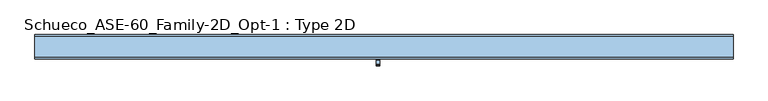
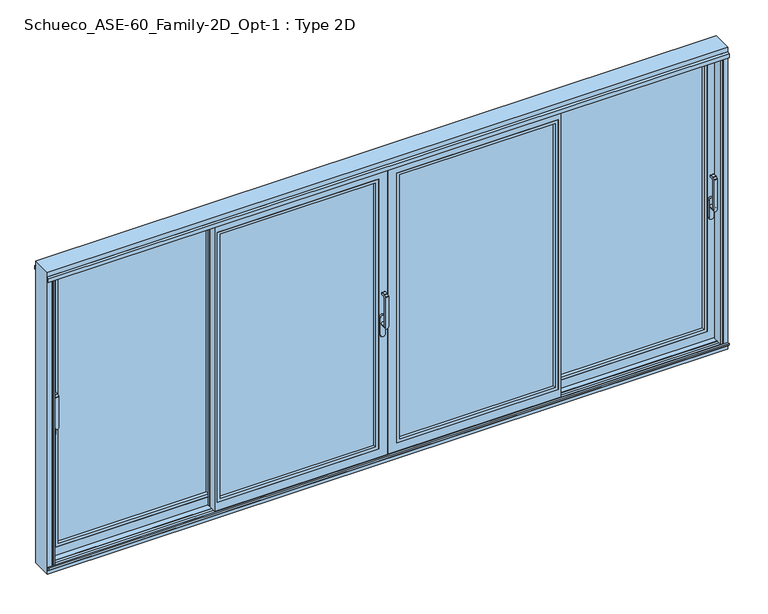
"""IFC4 building model written with IfcOpenShell, lengths in millimetres: window geometry, Schueco_ASE-60_Family-2D_Opt-1 : Type 2D."""

from ifc_helpers import new_model, si_unit, point, frame, frame_2d, origin, origin_with_axes, place, context, project, spatial, polyline, circle_curve, trimmed, segment, composite_curve, outline, extrude, faceted_brep, source, transform, mapped, element, save
from ifc_brep_helpers import plane_surface, cylinder_surface, revolved_surface, advanced_brep


def schueco_ase_60_family_2d_opt_1_type_2d_655c88e8(model_context):
    return source(origin(), model_context, "Body", "SolidModel", [
        advanced_brep(
        [(-30.25, -121.9999695, 999.0), (-30.25, -121.9999695, 1224.2360009), (-54.25, -121.9999695, 1224.2360009), (-54.25, -121.9999695, 999.0), (-30.25, -73.9999695, 999.005052), (-54.25, -73.9999695, 999.005052), (-54.25, -109.9999695, 999.005052), (-30.25, -109.9999695, 999.005052), (-54.25, -121.414183, 1225.6502145), (-54.25, -110.6501229, 1236.4142746), (-54.25, -109.2359094, 1237.000061), (-54.25, -81.9999695, 1237.000061), (-54.25, -79.9999695, 1235.000061), (-54.25, -79.9999695, 1224.000061), (-54.25, -81.9999695, 1222.000061), (-54.25, -102.6493095, 1222.000061), (-54.25, -109.9999695, 1214.6494011), (-30.25, -109.9999695, 1214.6494011), (-30.25, -102.6493095, 1222.000061), (-30.25, -81.9999695, 1222.000061), (-30.25, -79.9999695, 1224.000061), (-30.25, -79.9999695, 1235.000061), (-30.25, -81.9999695, 1237.000061), (-30.25, -109.2359094, 1237.000061), (-30.25, -110.6501229, 1236.4142746), (-30.25, -121.414183, 1225.6502145)],
        [
            (0, 1),
            (1, 2),
            (2, 3),
            (3, 0, circle_curve(frame((-42.25, -121.9999695, 999.005052), z_axis=(0.0, -1.0, 0.0), x_axis=(-1.0000000000000009, 0.0, 0.0)), 12.0)),
            (4, 5, circle_curve(frame((-42.25, -73.9999695, 999.005052), z_axis=(0.0, 1.0, 0.0), x_axis=(-1.0000000000000009, 0.0, 0.0)), 12.0)),
            (5, 4, circle_curve(frame((-42.25, -73.9999695, 999.005052), z_axis=(0.0, 1.0, 0.0), x_axis=(-1.0000000000000009, 0.0, 0.0)), 12.0)),
            (3, 6),
            (6, 5),
            (4, 7),
            (7, 0),
            (6, 7, circle_curve(frame((-42.25, -109.9999695, 999.005052), z_axis=(0.0, 1.0, 0.0), x_axis=(-1.0000000000000009, 0.0, 0.0)), 12.0)),
            (2, 8, circle_curve(frame((-54.25, -119.9999695, 1224.2360009), z_axis=(-1.0, 0.0, 0.0), x_axis=(0.0, 0.0, -1.0)), 2.0)),
            (8, 9),
            (9, 10, circle_curve(frame((-54.25, -109.2359094, 1235.000061), z_axis=(-1.0, 0.0, 0.0), x_axis=(0.0, 0.0, -1.0)), 2.0)),
            (10, 11),
            (11, 12, circle_curve(frame((-54.25, -81.9999695, 1235.000061), z_axis=(-1.0, 0.0, 0.0), x_axis=(0.0, 0.0, -1.0)), 2.0)),
            (12, 13),
            (13, 14, circle_curve(frame((-54.25, -81.9999695, 1224.000061), z_axis=(-1.0, 0.0, 0.0), x_axis=(0.0, 0.0, -1.0)), 2.0)),
            (14, 15),
            (15, 16, circle_curve(frame((-54.25, -102.6493095, 1214.6494011), z_axis=(1.0, 0.0, 0.0), x_axis=(0.0, 0.0, -1.0)), 7.35066)),
            (16, 6),
            (7, 17),
            (17, 18, circle_curve(frame((-30.25, -102.6493095, 1214.6494011), z_axis=(-1.0, 0.0, 0.0), x_axis=(0.0, 0.0, -1.0)), 7.35066)),
            (18, 19),
            (19, 20, circle_curve(frame((-30.25, -81.9999695, 1224.000061), z_axis=(1.0, 0.0, 0.0), x_axis=(0.0, 0.0, -1.0)), 2.0)),
            (20, 21),
            (21, 22, circle_curve(frame((-30.25, -81.9999695, 1235.000061), z_axis=(1.0, 0.0, 0.0), x_axis=(0.0, 0.0, -1.0)), 2.0)),
            (22, 23),
            (23, 24, circle_curve(frame((-30.25, -109.2359094, 1235.000061), z_axis=(1.0, 0.0, 0.0), x_axis=(0.0, 0.0, -1.0)), 2.0)),
            (24, 25),
            (25, 1, circle_curve(frame((-30.25, -119.9999695, 1224.2360009), z_axis=(1.0, 0.0, 0.0), x_axis=(0.0, 0.0, -1.0)), 2.0)),
            (16, 17),
            (15, 18),
            (14, 19),
            (13, 20),
            (12, 21),
            (11, 22),
            (10, 23),
            (9, 24),
            (8, 25),
        ],
        [
            plane_surface(frame((-54.25, -121.9999695, 999.005052), z_axis=(0.0, -1.0, 0.0), x_axis=(0.0, 0.0, 1.0))),
            plane_surface(frame((-54.25, -73.9999695, 999.005052), z_axis=(0.0, 1.0, 0.0), x_axis=(0.0, 0.0, -1.0))),
            cylinder_surface(frame((-42.25, -73.9999695, 999.005052), z_axis=(0.0, -1.0000000000000009, 0.0), x_axis=(-1.0000000000000009, 0.0, 0.0)), 12.0),
            plane_surface(frame((-54.25, -121.9999695, 1004.7503433), z_axis=(-1.0, 0.0, 0.0), x_axis=(0.0, 0.0, -1.0))),
            plane_surface(frame((-30.25, -121.9999695, 1004.7503433), z_axis=(1.0, 0.0, 0.0), x_axis=(0.0, 0.0, 1.0))),
            plane_surface(frame((-54.25, -109.9999695, 999.0), z_axis=(0.0, 1.0, 0.0), x_axis=(1.0, 0.0, 0.0))),
            revolved_surface(polyline([(-30.25, -102.6493095, 1207.2987411), (-54.25000000000004, -102.6493095, 1207.2987411)]), (-30.25, -102.6493095, 1214.6494011), (1.0000000000000009, 0.0, 0.0)),
            plane_surface(frame((-54.25, -102.6493095, 1222.000061), z_axis=(0.0, 0.0, -1.0), x_axis=(1.0, 0.0, 0.0))),
            cylinder_surface(frame((-30.25, -81.9999695, 1224.000061), z_axis=(-1.0000000000000009, 0.0, 0.0), x_axis=(0.0, 0.0, -1.0)), 2.0),
            plane_surface(frame((-54.25, -79.9999695, 1224.000061), z_axis=(0.0, 1.0, 0.0), x_axis=(1.0, 0.0, 0.0))),
            cylinder_surface(frame((-30.25, -81.9999695, 1235.000061), z_axis=(-1.0000000000000009, 0.0, 0.0), x_axis=(0.0, 0.0, -1.0)), 2.0),
            plane_surface(frame((-54.25, -81.9999695, 1237.000061), z_axis=(0.0, 0.0, 1.0), x_axis=(1.0, 0.0, 0.0))),
            cylinder_surface(frame((-30.25, -109.2359094, 1235.000061), z_axis=(-1.0000000000000009, 0.0, 0.0), x_axis=(0.0, 0.0, -1.0)), 2.0),
            plane_surface(frame((-54.25, -110.6501229, 1236.4142746), z_axis=(0.0, -0.7071067811865419, 0.7071067811865531), x_axis=(1.0, 0.0, 0.0))),
            cylinder_surface(frame((-30.25, -119.9999695, 1224.2360009), z_axis=(-1.0000000000000009, 0.0, 0.0), x_axis=(0.0, 0.0, -1.0)), 2.0),
        ],
        [
            (0, [[1, 2, 3, 4]]),
            (1, [[5, 6]]),
            (2, [[7, 8, -5, 9, 10, -4]]),
            (2, [[-8, 11, -9, -6]]),
            (3, [[12, 13, 14, 15, 16, 17, 18, 19, 20, 21, -7, -3]]),
            (4, [[-1, -10, 22, 23, 24, 25, 26, 27, 28, 29, 30, 31]]),
            (5, [[32, -22, -11, -21]]),
            (6, [[33, -23, -32, -20]]),
            (7, [[34, -24, -33, -19]]),
            (8, [[35, -25, -34, -18]]),
            (9, [[36, -26, -35, -17]]),
            (10, [[37, -27, -36, -16]]),
            (11, [[38, -28, -37, -15]]),
            (12, [[39, -29, -38, -14]]),
            (13, [[40, -30, -39, -13]]),
            (14, [[-2, -31, -40, -12]]),
        ],
    ),
        extrude(outline(composite_curve([segment(polyline([(917.2823932, -25.5), (1044.0099288, -25.5)]), True, "CONTINUOUS"), segment(trimmed(circle_curve(frame_2d((1044.0099288, -42.25)), 16.75), [point((1044.0099288, -25.5))], [point((1044.0099288, -59.0))], False, "CARTESIAN"), True, "CONTINUOUS"), segment(polyline([(1044.0099288, -59.0), (917.2823932, -59.0)]), True, "CONTINUOUS"), segment(trimmed(circle_curve(frame_2d((917.2823932, -42.25)), 16.75), [point((917.2823932, -59.0))], [point((917.2823932, -25.5))], False, "CARTESIAN"), True, "CONTINUOUS")], self_intersect=False)), frame((0.0, -73.9999695, 0.0), z_axis=(0.0, 1.0, 0.0), x_axis=(0.0, 0.0, 1.0)), (0.0, 0.0, 1.0), 13.9999695),
        extrude(outline(polyline([(-1195.0, -2.55e-05), (-1215.0, -2.55e-05), (-1215.0, 15.9999745), (-1195.0, 15.9999745), (-1195.0, -2.55e-05)])), frame((0.0, 0.0, 4.0), z_axis=(0.0, 0.0, 1.0), x_axis=(1.0, 0.0, 0.0)), (0.0, 0.0, 1.0), 2127.0),
        faceted_brep([(-86.0, -2.55e-05, 86.0), (-1175.0, -2.55e-05, 86.0), (-1175.0, -11.0000344, 86.0), (-86.0, -11.0000344, 86.0), (-1197.0, -11.0000344, 64.0), (-1197.0, -60.0, 64.0), (-64.0, -60.0, 64.0), (-64.0, -11.0000344, 64.0), (-3.9982816, -2.55e-05, 4.0), (-3.9982816, -5.4999923, 4.0), (-1175.0, -5.4999923, 4.0), (-1175.0, -11.0000344, 4.0), (-1197.0, -11.0000344, 4.0), (-1197.0, -54.5, 4.0), (-4.0, -54.5, 4.0), (-4.0, -60.0, 4.0), (-1215.0, -60.0, 4.0), (-1215.0, -2.55e-05, 4.0), (-34.0, -54.5, 34.0), (-1197.0, -54.5, 34.0), (-1197.0, -11.0000344, 34.0), (-1175.0, -11.0000344, 34.0), (-1175.0, -5.4999923, 34.0), (-34.0, -5.4999923, 34.0), (-86.0, -2.55e-05, 2049.0), (-86.0, -11.0000344, 2049.0), (-64.0, -11.0000344, 2071.0), (-64.0, -60.0, 2071.0), (-4.0, -60.0, 2131.0), (-4.0, -54.5, 2131.0), (-34.0, -54.5, 2101.0), (-34.0, -5.4999923, 2101.0), (-3.9982816, -5.4999923, 2131.0017184), (-3.9982816, -2.55e-05, 2131.0017184), (-1175.0, -11.0000344, 2049.0), (-1175.0, -2.55e-05, 2049.0), (-1197.0, -60.0, 2071.0), (-1197.0, -11.0000344, 2071.0), (-1215.0, -60.0, 2131.0), (-1197.0, -54.5, 2131.0), (-1197.0, -11.0000344, 2131.0), (-1175.0, -11.0000344, 2131.0), (-1175.0, -5.4999923, 2131.0), (-1215.0, -2.55e-05, 2131.0), (-1175.0, -5.4999923, 2101.0), (-1175.0, -11.0000344, 2101.0), (-1197.0, -11.0000344, 2101.0), (-1197.0, -54.5, 2101.0)], [[[0, 1, 2, 3]], [[4, 5, 6, 7]], [[8, 9, 10, 11, 12, 13, 14, 15, 16, 17]], [[18, 19, 20, 21, 22, 23]], [[24, 0, 3, 25]], [[26, 7, 6, 27]], [[28, 15, 14, 29]], [[30, 18, 23, 31]], [[32, 9, 8, 33]], [[25, 34, 35, 24]], [[27, 36, 37, 26]], [[38, 28, 29, 39, 40, 41, 42, 32, 33, 43]], [[31, 44, 45, 46, 47, 30]], [[43, 17, 16, 38]], [[16, 15, 28, 38], [27, 6, 5, 36]], [[33, 8, 17, 43], [0, 24, 35, 1]], [[35, 34, 2, 1]], [[41, 45, 44, 42]], [[10, 22, 21, 11]], [[26, 37, 4, 7], [3, 2, 34, 25]], [[11, 21, 20, 12]], [[40, 46, 45, 41]], [[37, 36, 5, 4]], [[12, 20, 19, 13]], [[39, 47, 46, 40]], [[14, 13, 19, 18, 30, 47, 39, 29]], [[23, 22, 10, 9, 32, 42, 44, 31]]]),
        extrude(outline(polyline([(64.0, -1197.0), (64.0, -64.0), (2071.0, -64.0), (2071.0, -1197.0), (64.0, -1197.0)]), holes=[polyline([(86.012649, -1174.987351), (2048.987351, -1174.987351), (2048.987351, -86.012649), (86.012649, -86.012649), (86.012649, -1174.987351)])]), frame((0.0, -60.0, 0.0), z_axis=(0.0, 1.0, 0.0), x_axis=(0.0, 0.0, 1.0)), (0.0, 0.0, 1.0), 22.9999656),
        extrude(outline(polyline([(-64.0, -11.0000344), (-64.0, -37.0000344), (-1197.0, -37.0000344), (-1197.0, -11.0000344), (-64.0, -11.0000344)])), frame((0.0, 0.0, 64.0), z_axis=(0.0, 0.0, 1.0), x_axis=(1.0, 0.0, 0.0)), (0.0, 0.0, 1.0), 2007.0),
        extrude(outline(polyline([(1195.0, -2.55e-05), (1195.0, 15.9999745), (1215.0, 15.9999745), (1215.0, -2.55e-05), (1195.0, -2.55e-05)])), frame((0.0, 0.0, 4.0), z_axis=(0.0, 0.0, 1.0), x_axis=(1.0, 0.0, 0.0)), (0.0, 0.0, 1.0), 2127.0),
        faceted_brep([(86.0, -2.55e-05, 86.0), (86.0, -11.0000344, 86.0), (1175.0, -11.0000344, 86.0), (1175.0, -2.55e-05, 86.0), (1197.0, -11.0000344, 64.0), (64.0, -11.0000344, 64.0), (64.0, -60.0, 64.0), (1197.0, -60.0, 64.0), (3.9982816, -2.55e-05, 4.0), (1215.0, -2.55e-05, 4.0), (1215.0, -60.0, 4.0), (4.0, -60.0, 4.0), (4.0, -54.5, 4.0), (1197.0, -54.5, 4.0), (1197.0, -11.0000344, 4.0), (1175.0, -11.0000344, 4.0), (1175.0, -5.4999923, 4.0), (3.9982816, -5.4999923, 4.0), (34.0, -54.5, 34.0), (34.0, -5.4999923, 34.0), (1175.0, -5.4999923, 34.0), (1175.0, -11.0000344, 34.0), (1197.0, -11.0000344, 34.0), (1197.0, -54.5, 34.0), (86.0, -2.55e-05, 2049.0), (86.0, -11.0000344, 2049.0), (64.0, -11.0000344, 2071.0), (64.0, -60.0, 2071.0), (4.0, -60.0, 2131.0), (4.0, -54.5, 2131.0), (34.0, -54.5, 2101.0), (34.0, -5.4999923, 2101.0), (3.9982816, -5.4999923, 2131.0017184), (3.9982816, -2.55e-05, 2131.0017184), (1175.0, -2.55e-05, 2049.0), (1175.0, -11.0000344, 2049.0), (1197.0, -11.0000344, 2071.0), (1197.0, -60.0, 2071.0), (1215.0, -60.0, 2131.0), (1215.0, -2.55e-05, 2131.0), (1175.0, -5.4999923, 2131.0), (1175.0, -11.0000344, 2131.0), (1197.0, -11.0000344, 2131.0), (1197.0, -54.5, 2131.0), (1197.0, -54.5, 2101.0), (1197.0, -11.0000344, 2101.0), (1175.0, -11.0000344, 2101.0), (1175.0, -5.4999923, 2101.0)], [[[0, 1, 2, 3]], [[4, 5, 6, 7]], [[8, 9, 10, 11, 12, 13, 14, 15, 16, 17]], [[18, 19, 20, 21, 22, 23]], [[24, 25, 1, 0]], [[26, 27, 6, 5]], [[28, 29, 12, 11]], [[30, 31, 19, 18]], [[32, 33, 8, 17]], [[25, 24, 34, 35]], [[27, 26, 36, 37]], [[38, 39, 33, 32, 40, 41, 42, 43, 29, 28]], [[31, 30, 44, 45, 46, 47]], [[39, 38, 10, 9]], [[10, 38, 28, 11], [27, 37, 7, 6]], [[33, 39, 9, 8], [0, 3, 34, 24]], [[16, 15, 21, 20]], [[41, 40, 47, 46]], [[34, 3, 2, 35]], [[15, 14, 22, 21]], [[26, 5, 4, 36], [1, 25, 35, 2]], [[42, 41, 46, 45]], [[14, 13, 23, 22]], [[43, 42, 45, 44]], [[36, 4, 7, 37]], [[12, 29, 43, 44, 30, 18, 23, 13]], [[19, 31, 47, 40, 32, 17, 16, 20]]]),
        extrude(outline(polyline([(-12.2016228, -54.5), (-12.2016228, -5.5000255), (34.0, -5.5000255), (34.0, -54.5), (-12.2016228, -54.5)])), frame((0.0, 0.0, 34.0), z_axis=(0.0, 0.0, 1.0), x_axis=(1.0, 0.0, 0.0)), (0.0, 0.0, 1.0), 2067.0),
        extrude(outline(polyline([(64.0, 1197.0), (2071.0, 1197.0), (2071.0, 64.0), (64.0, 64.0), (64.0, 1197.0)]), holes=[polyline([(86.012649, 1174.987351), (86.012649, 86.012649), (2048.987351, 86.012649), (2048.987351, 1174.987351), (86.012649, 1174.987351)])]), frame((0.0, -60.0, 0.0), z_axis=(0.0, 1.0, 0.0), x_axis=(0.0, 0.0, 1.0)), (0.0, 0.0, 1.0), 22.9999656),
        extrude(outline(polyline([(64.0, -11.0000344), (1197.0, -11.0000344), (1197.0, -37.0000344), (64.0, -37.0000344), (64.0, -11.0000344)])), frame((0.0, 0.0, 64.0), z_axis=(0.0, 0.0, 1.0), x_axis=(1.0, 0.0, 0.0)), (0.0, 0.0, 1.0), 2007.0),
        advanced_brep(
        [(2299.75, -29.999944, 1214.6494011), (2323.75, -29.999944, 1214.6494011), (2323.75, -29.999944, 999.0), (2299.75, -29.999944, 999.005052), (2323.75, 6.000056, 999.005052), (2299.75, 6.000056, 999.005052), (2299.75, -41.4141576, 1225.6502145), (2323.75, -41.4141576, 1225.6502145), (2323.75, -30.6500975, 1236.4142746), (2299.75, -30.6500975, 1236.4142746), (2323.75, -41.999944, 999.0), (2323.75, -41.999944, 1224.2360009), (2299.75, -41.999944, 1224.2360009), (2299.75, -41.999944, 999.0), (2299.75, -29.2358839, 1237.000061), (2299.75, -1.999944, 1237.000061), (2299.75, 5.6e-05, 1235.000061), (2299.75, 5.6e-05, 1224.000061), (2299.75, -1.999944, 1222.000061), (2299.75, -22.649284, 1222.000061), (2323.75, -22.649284, 1222.000061), (2323.75, -1.999944, 1222.000061), (2323.75, 5.6e-05, 1224.000061), (2323.75, 5.6e-05, 1235.000061), (2323.75, -1.999944, 1237.000061), (2323.75, -29.2358839, 1237.000061)],
        [
            (0, 1),
            (1, 2),
            (2, 3, circle_curve(frame((2311.75, -29.999944, 999.005052), z_axis=(0.0, -1.0, 0.0), x_axis=(-1.0, 0.0, 0.0)), 12.0)),
            (3, 0),
            (4, 5, circle_curve(frame((2311.75, 6.000056, 999.005052), z_axis=(0.0, 1.0, 0.0), x_axis=(-1.0, 0.0, 0.0)), 12.0)),
            (5, 4, circle_curve(frame((2311.75, 6.000056, 999.005052), z_axis=(0.0, 1.0, 0.0), x_axis=(-1.0, 0.0, 0.0)), 12.0)),
            (6, 7),
            (7, 8),
            (8, 9),
            (9, 6),
            (10, 11),
            (11, 12),
            (12, 13),
            (13, 10, circle_curve(frame((2311.75, -41.999944, 999.005052), z_axis=(0.0, -1.0, 0.0), x_axis=(-1.0, 0.0, 0.0)), 12.0)),
            (13, 3),
            (3, 5),
            (4, 2),
            (2, 10),
            (12, 6, circle_curve(frame((2299.75, -39.999944, 1224.2360009), z_axis=(-1.0, 0.0, 0.0), x_axis=(0.0, 0.0, -1.0)), 2.0)),
            (9, 14, circle_curve(frame((2299.75, -29.2358839, 1235.000061), z_axis=(-1.0, 0.0, 0.0), x_axis=(0.0, 0.0, -1.0)), 2.0)),
            (14, 15),
            (15, 16, circle_curve(frame((2299.75, -1.999944, 1235.000061), z_axis=(-1.0, 0.0, 0.0), x_axis=(0.0, 0.0, -1.0)), 2.0)),
            (16, 17),
            (17, 18, circle_curve(frame((2299.75, -1.999944, 1224.000061), z_axis=(-1.0, 0.0, 0.0), x_axis=(0.0, 0.0, -1.0)), 2.0)),
            (18, 19),
            (19, 0, circle_curve(frame((2299.75, -22.649284, 1214.6494011), z_axis=(1.0, 0.0, 0.0), x_axis=(0.0, 0.0, -1.0)), 7.35066)),
            (1, 20, circle_curve(frame((2323.75, -22.649284, 1214.6494011), z_axis=(-1.0, 0.0, 0.0), x_axis=(0.0, 0.0, -1.0)), 7.35066)),
            (20, 21),
            (21, 22, circle_curve(frame((2323.75, -1.999944, 1224.000061), z_axis=(1.0, 0.0, 0.0), x_axis=(0.0, 0.0, -1.0)), 2.0)),
            (22, 23),
            (23, 24, circle_curve(frame((2323.75, -1.999944, 1235.000061), z_axis=(1.0, 0.0, 0.0), x_axis=(0.0, 0.0, -1.0)), 2.0)),
            (24, 25),
            (25, 8, circle_curve(frame((2323.75, -29.2358839, 1235.000061), z_axis=(1.0, 0.0, 0.0), x_axis=(0.0, 0.0, -1.0)), 2.0)),
            (7, 11, circle_curve(frame((2323.75, -39.999944, 1224.2360009), z_axis=(1.0, 0.0, 0.0), x_axis=(0.0, 0.0, -1.0)), 2.0)),
            (19, 20),
            (18, 21),
            (17, 22),
            (16, 23),
            (15, 24),
            (14, 25),
        ],
        [
            plane_surface(frame((2299.75, -29.999944, 999.0), z_axis=(0.0, 1.0, 0.0), x_axis=(1.0, 0.0, 0.0))),
            plane_surface(frame((2299.75, 6.000056, 999.005052), z_axis=(0.0, 1.0, 0.0), x_axis=(0.0, 0.0, -1.0))),
            plane_surface(frame((2299.75, -30.6500975, 1236.4142746), z_axis=(0.0, -0.7071067811865422, 0.7071067811865528), x_axis=(1.0, 0.0, 0.0))),
            plane_surface(frame((2299.75, -41.999944, 999.005052), z_axis=(0.0, -1.0, 0.0), x_axis=(0.0, 0.0, 1.0))),
            cylinder_surface(frame((2311.75, 6.000056, 999.005052), z_axis=(0.0, -1.0, 0.0), x_axis=(-1.0, 0.0, 0.0)), 12.0),
            plane_surface(frame((2299.75, -41.999944, 1004.7503433), z_axis=(-1.0, 0.0, 0.0), x_axis=(0.0, 0.0, -1.0))),
            plane_surface(frame((2323.75, -41.999944, 1004.7503433), z_axis=(1.0, 0.0, 0.0), x_axis=(0.0, 0.0, 1.0))),
            revolved_surface(polyline([(2323.75, -22.649284, 1207.2987411), (2299.75, -22.649284, 1207.2987411)]), (2323.75, -22.649284, 1214.6494011), (1.0, 0.0, 0.0)),
            plane_surface(frame((2299.75, -22.649284, 1222.000061), z_axis=(0.0, 0.0, -1.0), x_axis=(1.0, 0.0, 0.0))),
            cylinder_surface(frame((2323.75, -1.999944, 1224.000061), z_axis=(-1.0, 0.0, 0.0), x_axis=(0.0, 0.0, -1.0)), 2.0),
            plane_surface(frame((2299.75, 5.6e-05, 1224.000061), z_axis=(0.0, 1.0, 0.0), x_axis=(1.0, 0.0, 0.0))),
            cylinder_surface(frame((2323.75, -1.999944, 1235.000061), z_axis=(-1.0, 0.0, 0.0), x_axis=(0.0, 0.0, -1.0)), 2.0),
            plane_surface(frame((2299.75, -1.999944, 1237.000061), z_axis=(0.0, 0.0, 1.0), x_axis=(1.0, 0.0, 0.0))),
            cylinder_surface(frame((2323.75, -29.2358839, 1235.000061), z_axis=(-1.0, 0.0, 0.0), x_axis=(0.0, 0.0, -1.0)), 2.0),
            cylinder_surface(frame((2323.75, -39.999944, 1224.2360009), z_axis=(-1.0, 0.0, 0.0), x_axis=(0.0, 0.0, -1.0)), 2.0),
        ],
        [
            (0, [[1, 2, 3, 4]]),
            (1, [[5, 6]]),
            (2, [[7, 8, 9, 10]]),
            (3, [[11, 12, 13, 14]]),
            (4, [[15, 16, -5, 17, 18, -14]]),
            (4, [[-16, -3, -17, -6]]),
            (5, [[19, -10, 20, 21, 22, 23, 24, 25, 26, -4, -15, -13]]),
            (6, [[-11, -18, -2, 27, 28, 29, 30, 31, 32, 33, -8, 34]]),
            (7, [[35, -27, -1, -26]]),
            (8, [[36, -28, -35, -25]]),
            (9, [[37, -29, -36, -24]]),
            (10, [[38, -30, -37, -23]]),
            (11, [[39, -31, -38, -22]]),
            (12, [[40, -32, -39, -21]]),
            (13, [[-9, -33, -40, -20]]),
            (14, [[-12, -34, -7, -19]]),
        ],
    ),
        extrude(outline(composite_curve([segment(polyline([(917.2823932, 2328.5), (1044.0099288, 2328.5)]), True, "CONTINUOUS"), segment(trimmed(circle_curve(frame_2d((1044.0099288, 2311.75)), 16.75), [point((1044.0099288, 2328.5))], [point((1044.0099288, 2295.0))], False, "CARTESIAN"), True, "CONTINUOUS"), segment(polyline([(1044.0099288, 2295.0), (917.2823932, 2295.0)]), True, "CONTINUOUS"), segment(trimmed(circle_curve(frame_2d((917.2823932, 2311.75)), 16.75), [point((917.2823932, 2295.0))], [point((917.2823932, 2328.5))], False, "CARTESIAN"), True, "CONTINUOUS")], self_intersect=False)), frame((0.0, 6.000056, 0.0), z_axis=(0.0, 1.0, 0.0), x_axis=(0.0, 0.0, 1.0)), (0.0, 0.0, 1.0), 13.9999695),
        extrude(outline(polyline([(1195.0, 20.0000255), (1195.0, 4.0000255), (1175.0, 4.0000255), (1175.0, 20.0000255), (1195.0, 20.0000255)])), frame((0.0, 0.0, 4.0), z_axis=(0.0, 0.0, 1.0), x_axis=(1.0, 0.0, 0.0)), (0.0, 0.0, 1.0), 2127.0),
        faceted_brep([(1175.0, 20.0000255, 2131.0), (2350.0, 20.0000255, 2131.0), (2350.0, 25.5000255, 2131.0), (1193.0, 25.5000255, 2131.0), (1193.0, 68.9999911, 2131.0), (1215.0, 68.9999911, 2131.0), (1215.0, 74.5000332, 2131.0), (2350.0017184, 74.5000332, 2131.0), (2350.0017184, 80.0, 2131.0), (1175.0, 80.0, 2131.0), (2268.0, 80.0, 86.0), (1215.0, 80.0, 86.0), (1215.0, 68.9999911, 86.0), (2268.0, 68.9999911, 86.0), (1193.0, 68.9999911, 64.0), (1193.0, 20.0000255, 64.0), (2290.0, 20.0000255, 64.0), (2290.0, 68.9999911, 64.0), (2350.0017184, 80.0, 4.0), (2350.0017184, 74.5000332, 4.0), (1215.0, 74.5000332, 4.0), (1215.0, 68.9999911, 4.0), (1193.0, 68.9999911, 4.0), (1193.0, 25.5000255, 4.0), (2350.0, 25.5000255, 4.0), (2350.0, 20.0000255, 4.0), (1175.0, 20.0000255, 4.0), (1175.0, 80.0, 4.0), (2268.0, 68.9999911, 2049.0), (1215.0, 68.9999911, 2049.0), (1215.0, 80.0, 2049.0), (2268.0, 80.0, 2049.0), (2290.0, 20.0000255, 2071.0), (1193.0, 20.0000255, 2071.0), (1193.0, 68.9999911, 2071.0), (2290.0, 68.9999911, 2071.0), (2320.0, 25.5000255, 34.0), (1193.0, 25.5000255, 34.0), (1193.0, 68.9999911, 34.0), (1215.0, 68.9999911, 34.0), (1215.0, 74.5000332, 34.0), (2320.0, 74.5000332, 34.0), (2320.0, 25.5000255, 2101.0), (2320.0, 74.5000332, 2101.0), (1215.0, 74.5000332, 2101.0), (1215.0, 68.9999911, 2101.0), (1193.0, 68.9999911, 2101.0), (1193.0, 25.5000255, 2101.0)], [[[0, 1, 2, 3, 4, 5, 6, 7, 8, 9]], [[10, 11, 12, 13]], [[14, 15, 16, 17]], [[18, 19, 20, 21, 22, 23, 24, 25, 26, 27]], [[1, 25, 24, 2]], [[28, 29, 30, 31]], [[32, 33, 34, 35]], [[36, 37, 38, 39, 40, 41]], [[31, 10, 13, 28]], [[35, 17, 16, 32]], [[42, 36, 41, 43]], [[7, 19, 18, 8]], [[43, 44, 45, 46, 47, 42]], [[9, 27, 26, 0]], [[26, 25, 1, 0], [32, 16, 15, 33]], [[8, 18, 27, 9], [10, 31, 30, 11]], [[30, 29, 12, 11]], [[5, 45, 44, 6]], [[20, 40, 39, 21]], [[35, 34, 14, 17], [13, 12, 29, 28]], [[21, 39, 38, 22]], [[4, 46, 45, 5]], [[34, 33, 15, 14]], [[22, 38, 37, 23]], [[3, 47, 46, 4]], [[24, 23, 37, 36, 42, 47, 3, 2]], [[41, 40, 20, 19, 7, 6, 44, 43]]]),
        extrude(outline(polyline([(64.0, 1193.0), (64.0, 2290.0), (2071.0, 2290.0), (2071.0, 1193.0), (64.0, 1193.0)]), holes=[polyline([(86.012649, 1215.012649), (2048.987351, 1215.012649), (2048.987351, 2267.987351), (86.012649, 2267.987351), (86.012649, 1215.012649)])]), frame((0.0, 20.0000255, 0.0), z_axis=(0.0, 1.0, 0.0), x_axis=(0.0, 0.0, 1.0)), (0.0, 0.0, 1.0), 22.9999656),
        extrude(outline(polyline([(2290.0, 68.9999911), (2290.0, 42.9999911), (1193.0, 42.9999911), (1193.0, 68.9999911), (2290.0, 68.9999911)])), frame((0.0, 0.0, 64.0), z_axis=(0.0, 0.0, 1.0), x_axis=(1.0, 0.0, 0.0)), (0.0, 0.0, 1.0), 2007.0),
        advanced_brep(
        [(-2299.75, -29.999944, 1214.6494011), (-2299.75, -29.999944, 999.0), (-2323.75, -29.999944, 999.005052), (-2323.75, -29.999944, 1214.6494011), (-2323.75, 6.000056, 999.005052), (-2299.75, 6.000056, 999.005052), (-2299.75, -41.4141576, 1225.6502145), (-2299.75, -30.6500975, 1236.4142746), (-2323.75, -30.6500975, 1236.4142746), (-2323.75, -41.4141576, 1225.6502145), (-2323.75, -41.999944, 999.005052), (-2299.75, -41.999944, 999.005052), (-2299.75, -41.999944, 1224.2360009), (-2323.75, -41.999944, 1224.2360009), (-2299.75, -22.649284, 1222.000061), (-2299.75, -1.999944, 1222.000061), (-2299.75, 5.6e-05, 1224.000061), (-2299.75, 5.6e-05, 1235.000061), (-2299.75, -1.999944, 1237.000061), (-2299.75, -29.2358839, 1237.000061), (-2323.75, -29.2358839, 1237.000061), (-2323.75, -1.999944, 1237.000061), (-2323.75, 5.6e-05, 1235.000061), (-2323.75, 5.6e-05, 1224.000061), (-2323.75, -1.999944, 1222.000061), (-2323.75, -22.649284, 1222.000061)],
        [
            (0, 1),
            (1, 2, circle_curve(frame((-2311.75, -29.999944, 999.005052), z_axis=(0.0, -1.0, 0.0), x_axis=(1.0, 0.0, 0.0)), 12.0)),
            (2, 3),
            (3, 0),
            (4, 5, circle_curve(frame((-2311.75, 6.000056, 999.005052), z_axis=(0.0, 1.0, 0.0), x_axis=(1.0, 0.0, 0.0)), 12.0)),
            (5, 4, circle_curve(frame((-2311.75, 6.000056, 999.005052), z_axis=(0.0, 1.0, 0.0), x_axis=(1.0, 0.0, 0.0)), 12.0)),
            (6, 7),
            (7, 8),
            (8, 9),
            (9, 6),
            (10, 11, circle_curve(frame((-2311.75, -41.999944, 999.005052), z_axis=(0.0, -1.0, 0.0), x_axis=(1.0, 0.0, 0.0)), 12.0)),
            (11, 12),
            (12, 13),
            (13, 10),
            (10, 2),
            (2, 4),
            (5, 1),
            (1, 11),
            (0, 14, circle_curve(frame((-2299.75, -22.649284, 1214.6494011), z_axis=(-1.0, 0.0, 0.0), x_axis=(0.0, 0.0, -1.0)), 7.35066)),
            (14, 15),
            (15, 16, circle_curve(frame((-2299.75, -1.999944, 1224.000061), z_axis=(1.0, 0.0, 0.0), x_axis=(0.0, 0.0, -1.0)), 2.0)),
            (16, 17),
            (17, 18, circle_curve(frame((-2299.75, -1.999944, 1235.000061), z_axis=(1.0, 0.0, 0.0), x_axis=(0.0, 0.0, -1.0)), 2.0)),
            (18, 19),
            (19, 7, circle_curve(frame((-2299.75, -29.2358839, 1235.000061), z_axis=(1.0, 0.0, 0.0), x_axis=(0.0, 0.0, -1.0)), 2.0)),
            (6, 12, circle_curve(frame((-2299.75, -39.999944, 1224.2360009), z_axis=(1.0, 0.0, 0.0), x_axis=(0.0, 0.0, -1.0)), 2.0)),
            (13, 9, circle_curve(frame((-2323.75, -39.999944, 1224.2360009), z_axis=(-1.0, 0.0, 0.0), x_axis=(0.0, 0.0, -1.0)), 2.0)),
            (8, 20, circle_curve(frame((-2323.75, -29.2358839, 1235.000061), z_axis=(-1.0, 0.0, 0.0), x_axis=(0.0, 0.0, -1.0)), 2.0)),
            (20, 21),
            (21, 22, circle_curve(frame((-2323.75, -1.999944, 1235.000061), z_axis=(-1.0, 0.0, 0.0), x_axis=(0.0, 0.0, -1.0)), 2.0)),
            (22, 23),
            (23, 24, circle_curve(frame((-2323.75, -1.999944, 1224.000061), z_axis=(-1.0, 0.0, 0.0), x_axis=(0.0, 0.0, -1.0)), 2.0)),
            (24, 25),
            (25, 3, circle_curve(frame((-2323.75, -22.649284, 1214.6494011), z_axis=(1.0, 0.0, 0.0), x_axis=(0.0, 0.0, -1.0)), 7.35066)),
            (25, 14),
            (24, 15),
            (23, 16),
            (22, 17),
            (21, 18),
            (20, 19),
        ],
        [
            plane_surface(frame((-2299.75, -29.999944, 999.0), z_axis=(0.0, 1.0, 0.0), x_axis=(-1.0, 0.0, 0.0))),
            plane_surface(frame((-2299.75, 6.000056, 999.005052), z_axis=(0.0, 1.0, 0.0), x_axis=(0.0, 0.0, -1.0))),
            plane_surface(frame((-2299.75, -30.6500975, 1236.4142746), z_axis=(0.0, -0.7071067811865422, 0.7071067811865528), x_axis=(-1.0, 0.0, 0.0))),
            plane_surface(frame((-2299.75, -41.999944, 999.005052), z_axis=(0.0, -1.0, 0.0), x_axis=(0.0, 0.0, 1.0))),
            cylinder_surface(frame((-2311.75, 6.000056, 999.005052), z_axis=(0.0, -1.0, 0.0), x_axis=(1.0, 0.0, 0.0)), 12.0),
            plane_surface(frame((-2299.75, -41.999944, 1004.7503433), z_axis=(1.0, 0.0, 0.0), x_axis=(0.0, 0.0, -1.0))),
            plane_surface(frame((-2323.75, -41.999944, 1004.7503433), z_axis=(-1.0, 0.0, 0.0), x_axis=(0.0, 0.0, 1.0))),
            revolved_surface(polyline([(-2323.75, -22.649284, 1207.2987411), (-2299.75, -22.649284, 1207.2987411)]), (-2323.75, -22.649284, 1214.6494011), (-1.0, 0.0, 0.0)),
            plane_surface(frame((-2299.75, -22.649284, 1222.000061), z_axis=(0.0, 0.0, -1.0), x_axis=(-1.0, 0.0, 0.0))),
            cylinder_surface(frame((-2323.75, -1.999944, 1224.000061), z_axis=(1.0, 0.0, 0.0), x_axis=(0.0, 0.0, -1.0)), 2.0),
            plane_surface(frame((-2299.75, 5.6e-05, 1224.000061), z_axis=(0.0, 1.0, 0.0), x_axis=(-1.0, 0.0, 0.0))),
            cylinder_surface(frame((-2323.75, -1.999944, 1235.000061), z_axis=(1.0, 0.0, 0.0), x_axis=(0.0, 0.0, -1.0)), 2.0),
            plane_surface(frame((-2299.75, -1.999944, 1237.000061), z_axis=(0.0, 0.0, 1.0), x_axis=(-1.0, 0.0, 0.0))),
            cylinder_surface(frame((-2323.75, -29.2358839, 1235.000061), z_axis=(1.0, 0.0, 0.0), x_axis=(0.0, 0.0, -1.0)), 2.0),
            cylinder_surface(frame((-2323.75, -39.999944, 1224.2360009), z_axis=(1.0, 0.0, 0.0), x_axis=(0.0, 0.0, -1.0)), 2.0),
        ],
        [
            (0, [[1, 2, 3, 4]]),
            (1, [[5, 6]]),
            (2, [[7, 8, 9, 10]]),
            (3, [[11, 12, 13, 14]]),
            (4, [[-11, 15, 16, -6, 17, 18]]),
            (4, [[-5, -16, -2, -17]]),
            (5, [[-12, -18, -1, 19, 20, 21, 22, 23, 24, 25, -7, 26]]),
            (6, [[27, -9, 28, 29, 30, 31, 32, 33, 34, -3, -15, -14]]),
            (7, [[-19, -4, -34, 35]]),
            (8, [[-20, -35, -33, 36]]),
            (9, [[-21, -36, -32, 37]]),
            (10, [[-22, -37, -31, 38]]),
            (11, [[-23, -38, -30, 39]]),
            (12, [[-24, -39, -29, 40]]),
            (13, [[-25, -40, -28, -8]]),
            (14, [[-26, -10, -27, -13]]),
        ],
    ),
        extrude(outline(composite_curve([segment(trimmed(circle_curve(frame_2d((917.2823932, -2311.75)), 16.75), [point((917.2823932, -2328.5))], [point((917.2823932, -2295.0))], False, "CARTESIAN"), True, "CONTINUOUS"), segment(polyline([(917.2823932, -2295.0), (1044.0099288, -2295.0)]), True, "CONTINUOUS"), segment(trimmed(circle_curve(frame_2d((1044.0099288, -2311.75)), 16.75), [point((1044.0099288, -2295.0))], [point((1044.0099288, -2328.5))], False, "CARTESIAN"), True, "CONTINUOUS"), segment(polyline([(1044.0099288, -2328.5), (917.2823932, -2328.5)]), True, "CONTINUOUS")], self_intersect=False)), frame((0.0, 6.000056, 0.0), z_axis=(0.0, 1.0, 0.0), x_axis=(0.0, 0.0, 1.0)), (0.0, 0.0, 1.0), 13.9999695),
        extrude(outline(polyline([(-1195.0, 20.0000255), (-1175.0, 20.0000255), (-1175.0, 4.0000255), (-1195.0, 4.0000255), (-1195.0, 20.0000255)])), frame((0.0, 0.0, 4.0), z_axis=(0.0, 0.0, 1.0), x_axis=(1.0, 0.0, 0.0)), (0.0, 0.0, 1.0), 2127.0),
        faceted_brep([(-1175.0, 20.0000255, 2131.0), (-1175.0, 80.0, 2131.0), (-2350.0017184, 80.0, 2131.0), (-2350.0017184, 74.5000332, 2131.0), (-1215.0, 74.5000332, 2131.0), (-1215.0, 68.9999911, 2131.0), (-1193.0, 68.9999911, 2131.0), (-1193.0, 25.5000255, 2131.0), (-2350.0, 25.5000255, 2131.0), (-2350.0, 20.0000255, 2131.0), (-2268.0, 80.0, 86.0), (-2268.0, 68.9999911, 86.0), (-1215.0, 68.9999911, 86.0), (-1215.0, 80.0, 86.0), (-1193.0, 68.9999911, 64.0), (-2290.0, 68.9999911, 64.0), (-2290.0, 20.0000255, 64.0), (-1193.0, 20.0000255, 64.0), (-2350.0017184, 80.0, 4.0), (-1175.0, 80.0, 4.0), (-1175.0, 20.0000255, 4.0), (-2350.0, 20.0000255, 4.0), (-2350.0, 25.5000255, 4.0), (-1193.0, 25.5000255, 4.0), (-1193.0, 68.9999911, 4.0), (-1215.0, 68.9999911, 4.0), (-1215.0, 74.5000332, 4.0), (-2350.0017184, 74.5000332, 4.0), (-2268.0, 68.9999911, 2049.0), (-2268.0, 80.0, 2049.0), (-1215.0, 80.0, 2049.0), (-1215.0, 68.9999911, 2049.0), (-2290.0, 20.0000255, 2071.0), (-2290.0, 68.9999911, 2071.0), (-1193.0, 68.9999911, 2071.0), (-1193.0, 20.0000255, 2071.0), (-2320.0, 25.5000255, 34.0), (-2320.0, 74.5000332, 34.0), (-1215.0, 74.5000332, 34.0), (-1215.0, 68.9999911, 34.0), (-1193.0, 68.9999911, 34.0), (-1193.0, 25.5000255, 34.0), (-2320.0, 25.5000255, 2101.0), (-2320.0, 74.5000332, 2101.0), (-1193.0, 25.5000255, 2101.0), (-1193.0, 68.9999911, 2101.0), (-1215.0, 68.9999911, 2101.0), (-1215.0, 74.5000332, 2101.0)], [[[0, 1, 2, 3, 4, 5, 6, 7, 8, 9]], [[10, 11, 12, 13]], [[14, 15, 16, 17]], [[18, 19, 20, 21, 22, 23, 24, 25, 26, 27]], [[9, 8, 22, 21]], [[28, 29, 30, 31]], [[32, 33, 34, 35]], [[36, 37, 38, 39, 40, 41]], [[29, 28, 11, 10]], [[33, 32, 16, 15]], [[42, 43, 37, 36]], [[3, 2, 18, 27]], [[43, 42, 44, 45, 46, 47]], [[1, 0, 20, 19]], [[20, 0, 9, 21], [32, 35, 17, 16]], [[2, 1, 19, 18], [10, 13, 30, 29]], [[5, 4, 47, 46]], [[26, 25, 39, 38]], [[30, 13, 12, 31]], [[6, 5, 46, 45]], [[25, 24, 40, 39]], [[33, 15, 14, 34], [11, 28, 31, 12]], [[7, 6, 45, 44]], [[24, 23, 41, 40]], [[34, 14, 17, 35]], [[22, 8, 7, 44, 42, 36, 41, 23]], [[37, 43, 47, 4, 3, 27, 26, 38]]]),
        extrude(outline(polyline([(64.0, -1193.0), (2071.0, -1193.0), (2071.0, -2290.0), (64.0, -2290.0), (64.0, -1193.0)]), holes=[polyline([(86.012649, -1215.012649), (86.012649, -2267.987351), (2048.987351, -2267.987351), (2048.987351, -1215.012649), (86.012649, -1215.012649)])]), frame((0.0, 20.0000255, 0.0), z_axis=(0.0, 1.0, 0.0), x_axis=(0.0, 0.0, 1.0)), (0.0, 0.0, 1.0), 22.9999656),
        extrude(outline(polyline([(-2290.0, 68.9999911), (-1193.0, 68.9999911), (-1193.0, 42.9999911), (-2290.0, 42.9999911), (-2290.0, 68.9999911)])), frame((0.0, 0.0, 64.0), z_axis=(0.0, 0.0, 1.0), x_axis=(1.0, 0.0, 0.0)), (0.0, 0.0, 1.0), 2007.0),
        extrude(outline(polyline([(-2339.0, 15.0), (-2339.0, -60.0), (-2350.0, -60.0), (-2350.0, -51.2), (-2342.0, -48.2882381), (-2342.0, 11.0), (-2358.0007202, 11.0), (-2358.0007202, 15.0), (-2339.0, 15.0)])), origin_with_axes(), (0.0, 0.0, 1.0), 2157.5),
        extrude(outline(polyline([(2339.0, 15.0), (2358.0007202, 15.0), (2358.0007202, 11.0), (2342.0, 11.0), (2342.0, -48.2882381), (2350.0, -51.2), (2350.0, -60.0), (2339.0, -60.0), (2339.0, 15.0)])), origin_with_axes(), (0.0, 0.0, 1.0), 2157.5),
        faceted_brep([(2390.0, 80.0, -51.0), (2390.0, -60.0, -51.0), (-2390.0, -60.0, -51.0), (-2390.0, 80.0, -51.0), (2390.0, 80.0, 2190.0), (2390.0, -60.0, 2190.0), (-2390.0, -60.0, 2190.0), (-2358.0, -60.0, -19.0), (-2358.0, -60.0, 2157.5), (2358.0, -60.0, 2157.5), (2358.0, -60.0, -19.0), (-2390.0, 80.0, 2190.0), (-2358.0, -51.2000255, -19.0), (-2358.0, -51.2000255, 2157.5), (2358.0, -51.2000255, 2157.5), (2358.0, -51.2000255, -19.0), (2342.0, -11.7120495, -3.0), (2342.0, -48.2882636, -3.0), (2342.0, -48.2882636, 2122.0), (2342.0, -11.7120495, 2122.0), (2342.0, -11.7120495, 2155.2007202), (2342.0, -11.7120495, 2130.9120495), (2342.0, -15.8, 2135.0), (2342.0, -15.8, 2155.2007202), (2342.0, -48.2882636, 2130.9117364), (2342.0, -48.2882636, 2142.0), (2342.0, -44.2, 2142.0), (2342.0, -44.2, 2135.0), (-2342.0, -11.7120243, -3.0), (-2342.0, -48.2882384, -3.0), (2350.0, -51.2000255, -11.00007), (2350.0, -51.2000255, 2150.0), (2346.7029571, -50.0, 2129.2), (2346.7029571, -50.0, 2122.0), (2350.0007202, -8.8000255, -11.0006502), (2346.7038173, -10.0, 2122.0), (2346.7038173, -10.0, 2129.2), (2350.0007202, -8.8000255, 2155.2007202), (-2350.0, -51.2000255, -11.00007), (-2350.0, -51.2000255, 2150.0), (-2341.9999997, -48.2882635, 2122.0), (-2346.7029571, -50.0, 2122.0), (-2346.7029571, -50.0, 2129.2), (-2341.9999996, -48.2882635, 2130.9117365), (-2341.9999998, -48.2882635, 2142.0), (-2350.0007202, -8.8000255, -11.0006502), (2358.0007202, -8.8000255, 2155.2007202), (2358.0007202, -8.8000255, -19.0007202), (-2358.0007202, -8.8000255, -19.0007202), (-2358.0007202, -8.8000255, 2155.2007202), (-2350.0007202, -8.8000255, 2155.2007202), (2358.0007202, 28.7999745, -19.0007202), (2358.0007202, 28.7999745, 2155.2007202), (-2358.0007202, 28.7999745, -19.0007202), (-2358.0007202, 28.7999745, 2155.2007202), (-2342.0000001, -11.7120494, 2155.2007202), (-2342.0000002, -11.7120494, 2130.9120494), (-2346.7038173, -10.0, 2129.2), (-2346.7038173, -10.0, 2122.0), (-2342.0000003, -11.7120494, 2122.0), (2350.0007202, 28.7999745, -11.0007902), (-2350.0007202, 28.7999745, -11.0007902), (-2350.0007202, 28.7999745, 2155.2007202), (2350.0007202, 28.7999745, 2155.2007202), (2341.9999672, 31.7120105, -3.0000372), (-2341.9999307, 31.712024, -3.0000001), (-2341.9999979, 31.7119993, 2122.0), (-2346.7036773, 30.0, 2122.0), (-2346.7036773, 30.0, 2129.2), (-2341.9999981, 31.7119992, 2130.9119992), (-2341.9999989, 31.7119989, 2155.2007202), (2342.0, 31.7119985, 2155.2007202), (2342.0, 31.7119985, 2130.9119985), (2346.7036773, 30.0, 2129.2), (2346.7036773, 30.0, 2122.0), (2342.0, 31.7119985, 2122.0), (2342.0, 35.8, 2155.2007202), (2342.0, 35.8, 2135.0), (2342.0, 68.2882381, -3.0), (2342.0, 68.2882381, 2122.0), (2342.0, 68.2882381, 2142.0), (2342.0, 68.2882381, 2130.9117619), (2342.0, 64.2, 2135.0), (2342.0, 64.2, 2142.0), (-2342.0, 68.2882381, -3.0), (2350.0, 71.2, -11.0), (2346.7030271, 70.0, 2122.0), (2346.7030271, 70.0, 2129.2), (2350.0, 71.2, 2150.0), (-2350.0, 71.2, -11.0), (2358.0, 71.2, -19.0), (-2358.0, 71.2, -19.0), (-2358.0, 71.2, 2157.5), (2358.0, 71.2, 2157.5), (-2350.0, 71.2, 2150.0), (-2342.0, 68.2882381, 2142.0), (-2342.0, 68.2882381, 2130.9117619), (-2346.7030271, 70.0, 2129.2), (-2346.7030271, 70.0, 2122.0), (-2342.0, 68.2882381, 2122.0), (2358.0, 80.0, -19.0), (-2358.0, 80.0, -19.0), (-2358.0, 80.0, 2157.5), (2358.0, 80.0, 2157.5), (-2342.0, 64.2, 2142.0), (-2342.0, 64.2, 2135.0), (-2342.0, 35.8, 2135.0), (-2342.0, 35.8, 2155.2007202), (-2342.0, -15.8, 2155.2007202), (-2342.0, -15.8, 2135.0), (-2342.0, -44.2, 2135.0), (-2342.0, -44.2, 2142.0)], [[[0, 1, 2, 3]], [[0, 4, 5, 1]], [[5, 6, 2, 1], [7, 8, 9, 10]], [[11, 3, 2, 6]], [[7, 12, 13, 8]], [[14, 15, 10, 9]], [[10, 15, 12, 7]], [[16, 17, 18, 19]], [[20, 21, 22, 23]], [[24, 25, 26, 27]], [[17, 16, 28, 29]], [[17, 30, 31, 25, 24, 32, 33, 18]], [[34, 16, 19, 35, 36, 21, 20, 37]], [[12, 15, 14, 13], [30, 38, 39, 31]], [[30, 17, 29, 38]], [[38, 29, 40, 41, 42, 43, 44, 39]], [[16, 34, 45, 28]], [[45, 34, 37, 46, 47, 48, 49, 50]], [[51, 47, 46, 52]], [[47, 51, 53, 48]], [[48, 53, 54, 49]], [[28, 45, 50, 55, 56, 57, 58, 59]], [[60, 61, 62, 54, 53, 51, 52, 63]], [[60, 64, 65, 61]], [[61, 65, 66, 67, 68, 69, 70, 62]], [[64, 60, 63, 71, 72, 73, 74, 75]], [[72, 71, 76, 77]], [[78, 64, 75, 79]], [[80, 81, 82, 83]], [[64, 78, 84, 65]], [[85, 78, 79, 86, 87, 81, 80, 88]], [[78, 85, 89, 84]], [[90, 91, 92, 93], [89, 85, 88, 94]], [[84, 89, 94, 95, 96, 97, 98, 99]], [[90, 100, 101, 91]], [[92, 91, 101, 102]], [[100, 90, 93, 103]], [[65, 84, 99, 66]], [[96, 95, 104, 105]], [[70, 69, 106, 107]], [[29, 28, 59, 40]], [[56, 55, 108, 109]], [[44, 43, 110, 111]], [[5, 4, 11, 6]], [[9, 8, 13, 14]], [[58, 35, 19, 18, 33, 41, 40, 59]], [[109, 22, 21, 36, 57, 56]], [[108, 23, 22, 109]], [[107, 76, 71, 63, 52, 46, 37, 20, 23, 108, 55, 50, 49, 54, 62, 70]], [[25, 44, 111, 26]], [[110, 27, 26, 111]], [[42, 32, 24, 27, 110, 43]], [[44, 25, 31, 39]], [[41, 33, 32, 42]], [[57, 36, 35, 58]], [[68, 73, 72, 77, 106, 69]], [[67, 74, 73, 68]], [[98, 86, 79, 75, 74, 67, 66, 99]], [[106, 77, 76, 107]], [[105, 82, 81, 87, 97, 96]], [[104, 83, 82, 105]], [[95, 80, 83, 104]], [[97, 87, 86, 98]], [[94, 88, 80, 95]], [[93, 92, 102, 103]], [[11, 4, 0, 3], [100, 103, 102, 101]]]),
        extrude(outline(polyline([(-73.0, -2.0), (-60.0, -2.0), (-60.0, -21.8), (-66.4, -21.8), (-73.0, -15.2), (-73.0, -2.0)])), frame((-2390.0, 0.0, 0.0), z_axis=(1.0, 0.0, 0.0), x_axis=(0.0, 1.0, 0.0)), (0.0, 0.0, 1.0), 4780.0),
        extrude(outline(polyline([(-51.2000255, 2150.5), (-68.5243789, 2150.5), (-71.0000233, 2149.0706861), (-71.0000233, 2121.5), (-72.6000233, 2121.5), (-72.6000233, 2150.225198), (-59.9996967, 2157.5), (-51.2000255, 2157.5), (-51.2000255, 2150.5)])), frame((-2390.0, 0.0, 0.0), z_axis=(1.0, 0.0, 0.0), x_axis=(0.0, 1.0, 0.0)), (0.0, 0.0, 1.0), 4780.0),
        extrude(outline(polyline([(71.2000255, 2150.5), (71.2000255, 2157.5), (79.9996967, 2157.5), (92.6000233, 2150.225198), (92.6000233, 2121.5), (91.0000233, 2121.5), (91.0000233, 2149.0706861), (88.5243789, 2150.5), (71.2000255, 2150.5)])), frame((-2390.0, 0.0, 0.0), z_axis=(1.0, 0.0, 0.0), x_axis=(0.0, 1.0, 0.0)), (0.0, 0.0, 1.0), 4780.0),
        extrude(outline(polyline([(28.7999745, -11.0007902), (28.7999745, -19.0007202), (-8.8000255, -19.0007202), (-8.8000255, -11.0006502), (-11.7120375, -2.9999628), (-18.0, -2.9999628), (-18.0, 0.0), (38.0000255, 0.0), (38.0000255, -3.0), (31.712024, -3.0), (28.7999745, -11.0007902)])), frame((-2358.0007202, 0.0, 0.0), z_axis=(1.0, 0.0, 0.0), x_axis=(0.0, 1.0, 0.0)), (0.0, 0.0, 1.0), 4716.0014404),
        extrude(outline(polyline([(80.0, -11.0), (71.2, -11.0), (68.2882381, -3.0), (62.0000255, -3.0), (62.0000255, 0.0), (80.0, 0.0), (80.0, -11.0)])), frame((-2358.0007202, 0.0, 0.0), z_axis=(1.0, 0.0, 0.0), x_axis=(0.0, 1.0, 0.0)), (0.0, 0.0, 1.0), 4716.0014404),
        extrude(outline(polyline([(-48.2882246, -2.9999628), (-51.2000255, -11.00007), (-51.2000255, -19.0007202), (-60.0, -19.0007202), (-60.0, 0.0), (-42.0, 0.0), (-42.0, -2.9999628), (-48.2882246, -2.9999628)])), frame((-2358.0007202, 0.0, 0.0), z_axis=(1.0, 0.0, 0.0), x_axis=(0.0, 1.0, 0.0)), (0.0, 0.0, 1.0), 4716.0014404),
    ])


if __name__ == "__main__":
    model = new_model("IFC4")
    model_context = context("Model", 3, world=origin())
    ifc_project = project(units=[si_unit("LENGTHUNIT", "METRE", prefix="MILLI")], contexts=[model_context])
    site = spatial("IfcSite", under=ifc_project)
    building = spatial("IfcBuilding", under=site)
    placement = place(None, origin())
    schueco_ase_60_family_2d_opt_1_type_2d_shape = schueco_ase_60_family_2d_opt_1_type_2d_655c88e8(model_context)
    element("IfcWindow", 1, ObjectType="Schueco_ASE-60_Family-2D_Opt-1 : Type 2D", at=placement, inside=building, context=model_context, shape_type="MappedRepresentation", body=[
        mapped(schueco_ase_60_family_2d_opt_1_type_2d_shape, transform((0.0, 0.0, 0.0), x_axis=(1.0, 0.0, 0.0), y_axis=(0.0, 1.0, 0.0), z_axis=(0.0, 0.0, 1.0))),
    ])
    save(model, "model.ifc")
